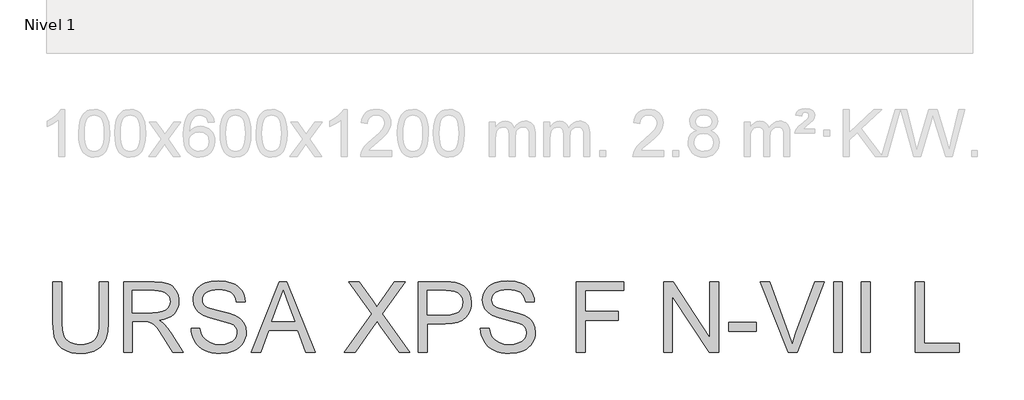
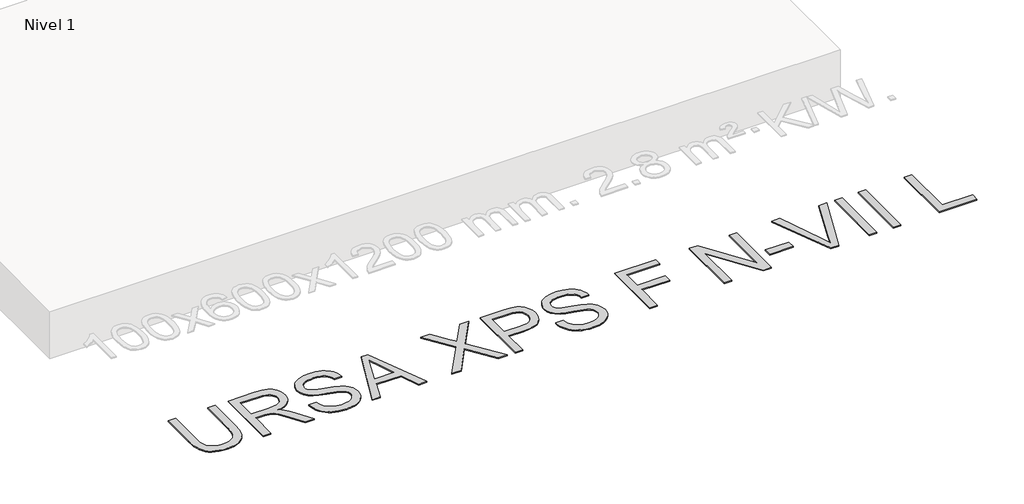
# One storey, part 7 of 10: 1 proxy.
"""IFC4 building model written with IfcOpenShell, lengths in millimetres."""

from ifc_helpers import new_model, si_unit, origin, origin_with_axes, place, context, project, spatial, polyline, outline, extrude, element, save

model = new_model("IFC4")

# Units and contexts
model_context = context("Model", 3, world=origin())
ifc_project = project(units=[si_unit("LENGTHUNIT", "METRE", prefix="MILLI")], contexts=[model_context])

# Site, building, storey
site = spatial("IfcSite", under=ifc_project)
building = spatial("IfcBuilding", under=site)
storey = spatial("IfcBuildingStorey", under=building, Name="Nivel 1", Elevation=0.0)

# Proxy
placement = place(None, origin())
element("IfcBuildingElementProxy", 1, Name="Texto de modelo 3", ObjectType="Texto de modelo 3", at=placement, inside=storey, context=model_context, shape_type="SweptSolid", body=[
    extrude(outline(polyline([(-8808.2214972, -13677.5031362), (-8732.8792646, -13677.5031362), (-8732.8792646, -14025.225198), (-8737.9928244, -14106.6558777), (-8744.384774, -14140.3492699), (-8753.3335036, -14169.3613637), (-8765.6115651, -14194.7912067), (-8781.991511, -14217.7378461), (-8802.4733411, -14238.2012821), (-8827.0570554, -14256.1815146), (-8855.7702451, -14270.8278165), (-8888.6405014, -14281.2894608), (-8925.6678242, -14287.5664473), (-8966.8522136, -14289.6587762), (-9007.0203289, -14287.8377603), (-9043.3532745, -14282.3747127), (-9075.8510502, -14273.2696333), (-9104.5136562, -14260.5225222), (-9129.3456908, -14244.3219188), (-9150.3517528, -14224.8563627), (-9167.5318419, -14202.1258539), (-9180.8859584, -14176.1303925), (-9190.8969471, -14145.9778644), (-9198.0476534, -14110.776156), (-9202.3380772, -14070.5252672), (-9203.7682185, -14025.225198), (-9203.7682185, -13677.5031362), (-9128.4259858, -13677.5031362), (-9128.4259858, -14022.5764477), (-9124.7103777, -14090.2851289), (-9113.5635532, -14137.4292066), (-9104.7987647, -14154.8070323), (-9093.3668317, -14170.0787336), (-9079.2677542, -14183.2443105), (-9062.5015323, -14194.303763), (-9022.255242, -14209.3133484), (-8973.9155479, -14214.3165436), (-8932.3908677, -14211.8425371), (-8897.2857283, -14204.4205179), (-8868.6001297, -14192.0504858), (-8846.3340719, -14174.7324409), (-8829.6598205, -14150.3786528), (-8817.7496409, -14116.9013912), (-8810.6035332, -14074.3006562), (-8808.2214972, -14022.5764477), (-8808.2214972, -13677.5031362)])), origin_with_axes(), (0.0, 0.0, 1.0), 10.0),
    extrude(outline(polyline([(-8601.0303576, -14280.2409971), (-8601.0303576, -13677.5031362), (-8341.305669, -13677.5031362), (-8271.5000604, -13681.5682322), (-8220.7139509, -13693.7635204), (-8201.1150376, -13703.457211), (-8183.5946576, -13716.2778985), (-8168.1528109, -13732.225583), (-8154.7894974, -13751.3002644), (-8144.0059564, -13772.4764718), (-8136.3034271, -13794.728734), (-8131.6819096, -13818.057051), (-8130.1414037, -13842.4614228), (-8132.6935851, -13873.4186927), (-8140.3501291, -13901.8375769), (-8153.1110358, -13927.7180752), (-8170.9763052, -13951.0601878), (-8194.1758635, -13971.1189536), (-8222.939637, -13987.1494115), (-8257.2676257, -13999.1515616), (-8297.1598295, -14007.1254039), (-8272.3277949, -14023.3489999), (-8254.3383653, -14039.3518667), (-8223.4730659, -14075.9561252), (-8193.2699541, -14116.9013912), (-8092.764593, -14280.2409971), (-8180.3205079, -14280.2409971), (-8258.7529492, -14155.3082715), (-8315.4067765, -14072.608399), (-8336.4680207, -14048.4937342), (-8355.2116084, -14033.5393311), (-8391.0433147, -14019.1919333), (-8434.7476957, -14016.5431829), (-8525.6881249, -14016.5431829), (-8525.6881249, -14280.2409971), (-8601.0303576, -14280.2409971)]), holes=[polyline([(-8525.6881249, -13941.2009503), (-8357.0510184, -13941.2009503), (-8308.6193537, -13938.5338059), (-8271.0402079, -13930.5323725), (-8242.7500825, -13916.6632213), (-8222.1854789, -13896.3929233), (-8209.659097, -13871.8735883), (-8205.4836363, -13845.257326), (-8207.4747976, -13825.9895065), (-8213.4482815, -13808.5059147), (-8223.404088, -13792.8065505), (-8237.3422171, -13778.8914141), (-8255.5845656, -13767.4962693), (-8278.4530301, -13759.3568801), (-8305.9476107, -13754.4732466), (-8338.0683074, -13752.8453688), (-8525.6881249, -13752.8453688), (-8525.6881249, -13941.2009503)])]), origin_with_axes(), (0.0, 0.0, 1.0), 10.0),
    extrude(outline(polyline([(-8026.5458339, -14073.0498574), (-7951.2036013, -14073.0498574), (-7942.5583744, -14114.8596462), (-7926.9233896, -14148.4656664), (-7902.5328133, -14175.1371111), (-7867.620812, -14196.143173), (-7824.9465005, -14209.7732009), (-7777.268994, -14214.3165436), (-7735.2936583, -14210.8768469), (-7698.542247, -14200.5577569), (-7668.7621995, -14184.2237964), (-7647.7009553, -14162.7394878), (-7635.1745733, -14138.0730001), (-7630.9991127, -14112.1925017), (-7634.1261096, -14086.9741909), (-7643.5071005, -14065.1771827), (-7662.5633879, -14046.5807479), (-7694.7162742, -14030.9641572), (-7804.4186852, -14002.1957851), (-7876.4315858, -13983.1578919), (-7922.5088057, -13965.0397036), (-7960.0143751, -13939.6926342), (-7986.5938492, -13908.9744876), (-8002.4311691, -13873.5474514), (-8007.7102757, -13834.0737133), (-8006.0777994, -13811.6375102), (-8001.1803703, -13789.946268), (-7993.0179886, -13768.9999869), (-7981.5906541, -13748.7986669), (-7967.0271256, -13730.1654438), (-7949.4561618, -13713.9234537), (-7928.8777627, -13700.0726966), (-7905.2919283, -13688.6131724), (-7852.2801328, -13673.217311), (-7793.6029545, -13668.0853571), (-7730.0329458, -13673.4564342), (-7674.4091881, -13689.5696656), (-7650.0737941, -13701.5718157), (-7628.7182443, -13716.0939575), (-7610.3425386, -13733.1360909), (-7594.9466771, -13752.698216), (-7582.6502215, -13774.2101157), (-7573.5727332, -13797.1015728), (-7567.7142125, -13821.3725875), (-7565.0746591, -13847.0231596), (-7640.4168917, -13847.0231596), (-7645.4568751, -13822.9820712), (-7654.2492548, -13802.0679798), (-7666.7940308, -13784.2808853), (-7683.0912032, -13769.6207878), (-7703.4442746, -13758.1612636), (-7728.1567476, -13749.9758892), (-7757.2286223, -13745.0646646), (-7790.6598986, -13743.4275897), (-7825.1580327, -13745.0462705), (-7854.6345775, -13749.9023128), (-7879.0895332, -13757.9957167), (-7898.5228996, -13769.3264822), (-7913.3301499, -13782.9473131), (-7923.9067572, -13797.9109132), (-7930.2527216, -13814.2172827), (-7932.3680431, -13831.8664214), (-7930.868924, -13847.0507507), (-7926.3715666, -13860.8187344), (-7918.8759709, -13873.1703724), (-7908.382137, -13884.1056647), (-7891.8642355, -13894.4615428), (-7865.8549784, -13904.9277856), (-7785.3623978, -13926.1913649), (-7702.2946433, -13946.3880865), (-7652.0419628, -13964.009634), (-7609.0917399, -13991.3432663), (-7592.4864663, -14007.4105124), (-7579.1277514, -14025.0780452), (-7568.8592452, -14044.2538942), (-7561.5245979, -14064.8460889), (-7555.6568801, -14110.2795153), (-7557.3445387, -14133.8469556), (-7562.4075147, -14156.7246172), (-7570.8458079, -14178.9125), (-7582.6594185, -14200.4106041), (-7597.6414128, -14220.3865965), (-7615.5848571, -14238.008144), (-7636.4897515, -14253.2752468), (-7660.3560959, -14266.1879049), (-7686.4895131, -14276.4564111), (-7714.1956259, -14283.7910583), (-7774.325938, -14289.6587762), (-7812.8661755, -14288.0768836), (-7848.1414603, -14283.3312059), (-7880.1517924, -14275.421743), (-7908.8971718, -14264.3484949), (-7934.5523425, -14250.0930676), (-7957.2920483, -14232.6370669), (-7977.1162893, -14211.9804929), (-7994.0250655, -14188.1233455), (-8007.6458964, -14161.8381769), (-8017.6063014, -14133.8975394), (-8023.9062806, -14104.3014329), (-8026.5458339, -14073.0498574)])), origin_with_axes(), (0.0, 0.0, 1.0), 10.0),
    extrude(outline(polyline([(-7512.8354158, -14280.2409971), (-7272.240591, -13677.5031362), (-7208.081971, -13677.5031362), (-6967.4871462, -14280.2409971), (-7047.0968099, -14280.2409971), (-7116.1114722, -14091.8854156), (-7364.3582426, -14091.8854156), (-7433.2257521, -14280.2409971), (-7512.8354158, -14280.2409971)]), holes=[polyline([(-7336.6935165, -14016.5431829), (-7143.6290455, -14016.5431829), (-7197.928428, -13868.3603153), (-7240.161281, -13752.8453688), (-7277.6852445, -13855.4108691), (-7336.6935165, -14016.5431829)])]), origin_with_axes(), (0.0, 0.0, 1.0), 10.0),
    extrude(outline(polyline([(-6717.4745422, -14280.2409971), (-6485.1202741, -13951.7959518), (-6679.8034259, -13677.5031362), (-6589.4516079, -13677.5031362), (-6479.8227734, -13831.8664214), (-6453.6663635, -13870.9722775), (-6442.887421, -13892.0519158), (-6399.6244984, -13830.8363518), (-6291.1728862, -13677.5031362), (-6199.496693, -13677.5031362), (-6394.1798449, -13952.6788686), (-6161.8255767, -14280.2409971), (-6252.1773948, -14280.2409971), (-6406.9821383, -14061.8662448), (-6439.2086011, -14016.5431829), (-6474.6724254, -14066.2808287), (-6625.7983491, -14280.2409971), (-6717.4745422, -14280.2409971)])), origin_with_axes(), (0.0, 0.0, 1.0), 10.0),
    extrude(outline(polyline([(-6086.4833441, -14280.2409971), (-6086.4833441, -13677.5031362), (-5863.1053967, -13677.5031362), (-5811.0868825, -13678.937876), (-5773.0478842, -13683.2420953), (-5732.8935645, -13693.9658555), (-5699.8393672, -13711.4218561), (-5673.2231048, -13736.4010436), (-5652.3825898, -13769.6943642), (-5638.9181088, -13808.9657672), (-5634.4299484, -13851.8792019), (-5637.4603764, -13888.8789336), (-5646.5516602, -13922.9172152), (-5661.7037999, -13953.9940467), (-5682.9167954, -13982.1094282), (-5712.0392539, -14005.4147526), (-5750.9197822, -14022.0614129), (-5799.5583805, -14032.049409), (-5857.9550487, -14035.3787411), (-6011.1411115, -14035.3787411), (-6011.1411115, -14280.2409971), (-6086.4833441, -14280.2409971)]), holes=[polyline([(-6011.1411115, -13960.0365085), (-5853.5404648, -13960.0365085), (-5817.3040883, -13958.3074631), (-5786.7330945, -13953.120327), (-5761.8274834, -13944.4751001), (-5742.587255, -13932.3717825), (-5728.2306602, -13917.1322708), (-5717.9759496, -13899.0784619), (-5711.8231232, -13878.2103557), (-5709.7721811, -13854.5279523), (-5714.6098293, -13820.6828087), (-5729.122774, -13792.1351659), (-5751.5083934, -13770.6508574), (-5779.9640657, -13757.9957167), (-5809.0267434, -13754.1329558), (-5855.3062984, -13752.8453688), (-6011.1411115, -13752.8453688), (-6011.1411115, -13960.0365085)])]), origin_with_axes(), (0.0, 0.0, 1.0), 10.0),
    extrude(outline(polyline([(-5559.0877158, -14073.0498574), (-5483.7454832, -14073.0498574), (-5475.1002563, -14114.8596462), (-5459.4652715, -14148.4656664), (-5435.0746953, -14175.1371111), (-5400.1626939, -14196.143173), (-5357.4883825, -14209.7732009), (-5309.8108759, -14214.3165436), (-5267.8355403, -14210.8768469), (-5231.0841289, -14200.5577569), (-5201.3040814, -14184.2237964), (-5180.2428372, -14162.7394878), (-5167.7164553, -14138.0730001), (-5163.5409946, -14112.1925017), (-5166.6679916, -14086.9741909), (-5176.0489825, -14065.1771827), (-5195.1052698, -14046.5807479), (-5227.2581562, -14030.9641572), (-5336.9605671, -14002.1957851), (-5408.9734677, -13983.1578919), (-5455.0506876, -13965.0397036), (-5492.556257, -13939.6926342), (-5519.1357312, -13908.9744876), (-5534.9730511, -13873.5474514), (-5540.2521577, -13834.0737133), (-5538.6196813, -13811.6375102), (-5533.7222523, -13789.946268), (-5525.5598705, -13768.9999869), (-5514.132536, -13748.7986669), (-5499.5690075, -13730.1654438), (-5481.9980437, -13713.9234537), (-5461.4196446, -13700.0726966), (-5437.8338102, -13688.6131724), (-5384.8220147, -13673.217311), (-5326.1448365, -13668.0853571), (-5262.5748277, -13673.4564342), (-5206.9510701, -13689.5696656), (-5182.6156761, -13701.5718157), (-5161.2601263, -13716.0939575), (-5142.8844206, -13733.1360909), (-5127.4885591, -13752.698216), (-5115.1921034, -13774.2101157), (-5106.1146152, -13797.1015728), (-5100.2560944, -13821.3725875), (-5097.6165411, -13847.0231596), (-5172.9587737, -13847.0231596), (-5177.998757, -13822.9820712), (-5186.7911367, -13802.0679798), (-5199.3359128, -13784.2808853), (-5215.6330851, -13769.6207878), (-5235.9861565, -13758.1612636), (-5260.6986295, -13749.9758892), (-5289.7705042, -13745.0646646), (-5323.2017805, -13743.4275897), (-5357.6999146, -13745.0462705), (-5387.1764595, -13749.9023128), (-5411.6314151, -13757.9957167), (-5431.0647815, -13769.3264822), (-5445.8720318, -13782.9473131), (-5456.4486392, -13797.9109132), (-5462.7946036, -13814.2172827), (-5464.9099251, -13831.8664214), (-5463.4108059, -13847.0507507), (-5458.9134486, -13860.8187344), (-5451.4178529, -13873.1703724), (-5440.924019, -13884.1056647), (-5424.4061174, -13894.4615428), (-5398.3968603, -13904.9277856), (-5317.9042798, -13926.1913649), (-5234.8365253, -13946.3880865), (-5184.5838447, -13964.009634), (-5141.6336218, -13991.3432663), (-5125.0283483, -14007.4105124), (-5111.6696333, -14025.0780452), (-5101.4011271, -14044.2538942), (-5094.0664798, -14064.8460889), (-5088.198762, -14110.2795153), (-5089.8864207, -14133.8469556), (-5094.9493966, -14156.7246172), (-5103.3876899, -14178.9125), (-5115.2013005, -14200.4106041), (-5130.1832947, -14220.3865965), (-5148.126739, -14238.008144), (-5169.0316334, -14253.2752468), (-5192.8979778, -14266.1879049), (-5219.0313951, -14276.4564111), (-5246.7375078, -14283.7910583), (-5306.8678199, -14289.6587762), (-5345.4080575, -14288.0768836), (-5380.6833423, -14283.3312059), (-5412.6936744, -14275.421743), (-5441.4390538, -14264.3484949), (-5467.0942244, -14250.0930676), (-5489.8339302, -14232.6370669), (-5509.6581713, -14211.9804929), (-5526.5669475, -14188.1233455), (-5540.1877783, -14161.8381769), (-5550.1481834, -14133.8975394), (-5556.4481625, -14104.3014329), (-5559.0877158, -14073.0498574)])), origin_with_axes(), (0.0, 0.0, 1.0), 10.0),
    extrude(outline(polyline([(-4739.7409362, -14280.2409971), (-4739.7409362, -13677.5031362), (-4334.7764359, -13677.5031362), (-4334.7764359, -13752.8453688), (-4664.3987036, -13752.8453688), (-4664.3987036, -13931.7831713), (-4381.8653313, -13931.7831713), (-4381.8653313, -14007.1254039), (-4664.3987036, -14007.1254039), (-4664.3987036, -14280.2409971), (-4739.7409362, -14280.2409971)])), origin_with_axes(), (0.0, 0.0, 1.0), 10.0),
    extrude(outline(polyline([(-3995.7363891, -14280.2409971), (-3995.7363891, -13677.5031362), (-3915.0966558, -13677.5031362), (-3600.1896679, -14155.0139659), (-3600.1896679, -13677.5031362), (-3524.8474353, -13677.5031362), (-3524.8474353, -14280.2409971), (-3605.4871687, -14280.2409971), (-3920.3941565, -13802.5830146), (-3920.3941565, -14280.2409971), (-3995.7363891, -14280.2409971)])), origin_with_axes(), (0.0, 0.0, 1.0), 10.0),
    extrude(outline(polyline([(-3440.0874236, -14101.3031946), (-3440.0874236, -14025.960962), (-3204.6429467, -14025.960962), (-3204.6429467, -14101.3031946), (-3440.0874236, -14101.3031946)])), origin_with_axes(), (0.0, 0.0, 1.0), 10.0),
    extrude(outline(polyline([(-2932.4102703, -14280.2409971), (-3172.2693311, -13677.5031362), (-3091.6295978, -13677.5031362), (-2931.0858951, -14111.7510433), (-2898.5651267, -14209.607654), (-2866.4858167, -14111.7510433), (-2705.5006556, -13677.5031362), (-2624.8609223, -13677.5031362), (-2854.5664401, -14280.2409971), (-2932.4102703, -14280.2409971)])), origin_with_axes(), (0.0, 0.0, 1.0), 10.0),
    extrude(outline(polyline([(-2545.3984113, -14280.2409971), (-2545.3984113, -13677.5031362), (-2470.0561787, -13677.5031362), (-2470.0561787, -14280.2409971), (-2545.3984113, -14280.2409971)])), origin_with_axes(), (0.0, 0.0, 1.0), 10.0),
    extrude(outline(polyline([(-2309.9539344, -14280.2409971), (-2309.9539344, -13677.5031362), (-2234.6117018, -13677.5031362), (-2234.6117018, -14280.2409971), (-2309.9539344, -14280.2409971)])), origin_with_axes(), (0.0, 0.0, 1.0), 10.0),
    extrude(outline(polyline([(-1848.4827597, -14280.2409971), (-1848.4827597, -13677.5031362), (-1773.1405271, -13677.5031362), (-1773.1405271, -14204.8987645), (-1471.7715966, -14204.8987645), (-1471.7715966, -14280.2409971), (-1848.4827597, -14280.2409971)])), origin_with_axes(), (0.0, 0.0, 1.0), 10.0),
])

save(model, "model.ifc")
